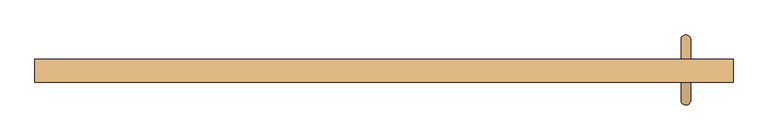
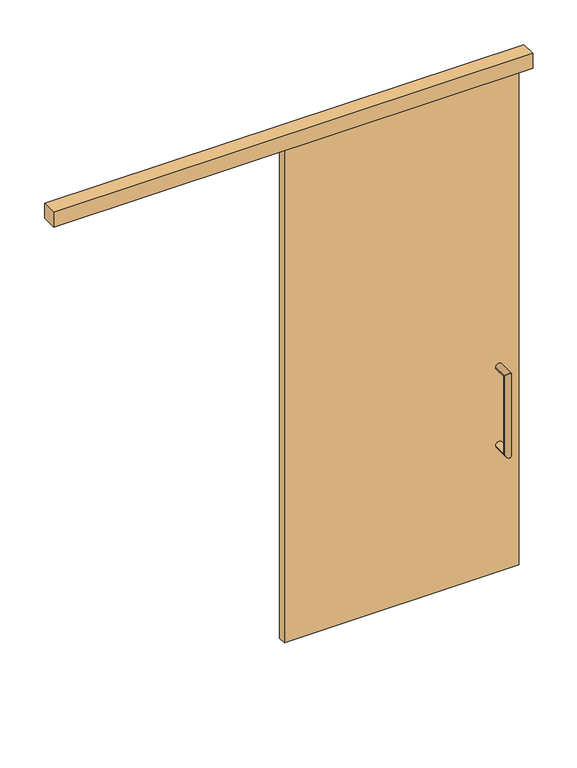
"""IFC4 building model written with IfcOpenShell, lengths in millimetres: door geometry."""

from ifc_helpers import new_model, si_unit, frame, origin, origin_with_axes, place, context, project, spatial, polyline, circle_curve, ellipse_curve, outline, extrude, faceted_brep, source, transform, mapped, element, save
from ifc_brep_helpers import plane_surface, cylinder_surface, advanced_brep


def door_fe5d9c2b(model_context):
    return source(origin(), model_context, "Body", "SolidModel", [
        advanced_brep(
        [(440.0, -115.0, 985.0), (410.0, -115.0, 985.0), (440.0, -115.0, 615.0), (410.0, -115.0, 615.0), (440.0, -180.0, 985.0), (410.0, -180.0, 985.0), (440.0, -180.0, 615.0), (410.0, -180.0, 615.0)],
        [
            (0, 1, circle_curve(frame((425.0, -115.0, 985.0), z_axis=(0.0, 1.0, 0.0), x_axis=(-1.0, 0.0, 0.0)), 15.0)),
            (1, 0, circle_curve(frame((425.0, -115.0, 985.0), z_axis=(0.0, 1.0, 0.0), x_axis=(-1.0, 0.0, 0.0)), 15.0)),
            (2, 3, circle_curve(frame((425.0, -115.0, 615.0), z_axis=(0.0, 1.0, 0.0), x_axis=(-1.0, 0.0, 0.0)), 15.0)),
            (3, 2, circle_curve(frame((425.0, -115.0, 615.0), z_axis=(0.0, 1.0, 0.0), x_axis=(-1.0, 0.0, 0.0)), 15.0)),
            (0, 4),
            (4, 5, ellipse_curve(frame((425.0, -180.0, 985.0), z_axis=(0.0, 0.7071067811865492, 0.7071067811865458), x_axis=(0.0, 0.7071067811865459, -0.7071067811865491)), 21.2132034, 15.0)),
            (5, 1),
            (5, 4, ellipse_curve(frame((425.0, -180.0, 985.0), z_axis=(0.0, 0.7071067811865492, 0.7071067811865458), x_axis=(0.0, 0.7071067811865459, -0.7071067811865491)), 21.2132034, 15.0)),
            (4, 6),
            (6, 7, ellipse_curve(frame((425.0, -180.0, 615.0), z_axis=(0.0, -0.7071067811865458, 0.7071067811865491), x_axis=(0.0, 0.7071067811865489, 0.707106781186546)), 21.2132034, 15.0)),
            (7, 5),
            (7, 6, ellipse_curve(frame((425.0, -180.0, 615.0), z_axis=(0.0, -0.7071067811865458, 0.7071067811865491), x_axis=(0.0, 0.7071067811865489, 0.707106781186546)), 21.2132034, 15.0)),
            (6, 2),
            (3, 7),
        ],
        [
            plane_surface(frame((425.0, -115.0, 1000.0), z_axis=(0.0, 1.0, 0.0), x_axis=(-1.0, 0.0, 0.0))),
            plane_surface(frame((425.0, -115.0, 600.0), z_axis=(0.0, 1.0, 0.0), x_axis=(-1.0, 0.0, 0.0))),
            cylinder_surface(frame((425.0, -115.0, 985.0), z_axis=(0.0, 1.0, 0.0), x_axis=(-1.0, 0.0, 0.0)), 15.0),
            cylinder_surface(frame((425.0, -180.0, 1000.0), z_axis=(0.0, 0.0, 1.0), x_axis=(-1.0, 0.0, 0.0)), 15.0),
            cylinder_surface(frame((425.0, -195.0, 615.0), z_axis=(0.0, -1.0, 0.0), x_axis=(-1.0, 0.0, 0.0)), 15.0),
        ],
        [
            (0, [[1, 2]]),
            (1, [[3, 4]]),
            (2, [[-1, 5, 6, 7]]),
            (2, [[-2, -7, 8, -5]]),
            (3, [[-6, 9, 10, 11]]),
            (3, [[-8, -11, 12, -9]]),
            (4, [[-10, 13, -4, 14]]),
            (4, [[-12, -14, -3, -13]]),
        ],
    ),
        advanced_brep(
        [(440.0, -60.0, 985.0), (410.0, -60.0, 985.0), (440.0, -60.0, 615.0), (410.0, -60.0, 615.0), (410.0, 5.0, 985.0), (440.0, 5.0, 985.0), (410.0, 5.0, 615.0), (440.0, 5.0, 615.0)],
        [
            (0, 1, circle_curve(frame((425.0, -60.0, 985.0), z_axis=(0.0, -1.0, 0.0), x_axis=(-1.0, 0.0, 0.0)), 15.0)),
            (1, 0, circle_curve(frame((425.0, -60.0, 985.0), z_axis=(0.0, -1.0, 0.0), x_axis=(-1.0, 0.0, 0.0)), 15.0)),
            (2, 3, circle_curve(frame((425.0, -60.0, 615.0), z_axis=(0.0, -1.0, 0.0), x_axis=(-1.0, 0.0, 0.0)), 15.0)),
            (3, 2, circle_curve(frame((425.0, -60.0, 615.0), z_axis=(0.0, -1.0, 0.0), x_axis=(-1.0, 0.0, 0.0)), 15.0)),
            (1, 4),
            (4, 5, ellipse_curve(frame((425.0, 5.0, 985.0), z_axis=(0.0, -0.7071067811865492, 0.7071067811865458), x_axis=(0.0, -0.7071067811865459, -0.7071067811865491)), 21.2132034, 15.0)),
            (5, 0),
            (5, 4, ellipse_curve(frame((425.0, 5.0, 985.0), z_axis=(0.0, -0.7071067811865492, 0.7071067811865458), x_axis=(0.0, -0.7071067811865459, -0.7071067811865491)), 21.2132034, 15.0)),
            (4, 6),
            (6, 7, ellipse_curve(frame((425.0, 5.0, 615.0), z_axis=(0.0, 0.7071067811865458, 0.7071067811865491), x_axis=(0.0, -0.7071067811865489, 0.707106781186546)), 21.2132034, 15.0)),
            (7, 5),
            (7, 6, ellipse_curve(frame((425.0, 5.0, 615.0), z_axis=(0.0, 0.7071067811865458, 0.7071067811865491), x_axis=(0.0, -0.7071067811865489, 0.707106781186546)), 21.2132034, 15.0)),
            (6, 3),
            (2, 7),
        ],
        [
            plane_surface(frame((425.0, -60.0, 1000.0), z_axis=(0.0, -1.0, 0.0), x_axis=(-1.0, 0.0, 0.0))),
            plane_surface(frame((425.0, -60.0, 600.0), z_axis=(0.0, -1.0, 0.0), x_axis=(-1.0, 0.0, 0.0))),
            cylinder_surface(frame((425.0, -60.0, 985.0), z_axis=(0.0, -1.0, 0.0), x_axis=(-1.0, 0.0, 0.0)), 15.0),
            cylinder_surface(frame((425.0, 5.0, 1000.0), z_axis=(0.0, 0.0, 1.0), x_axis=(-1.0, 0.0, 0.0)), 15.0),
            cylinder_surface(frame((425.0, 20.0, 615.0), z_axis=(0.0, 1.0, 0.0), x_axis=(-1.0, 0.0, 0.0)), 15.0),
        ],
        [
            (0, [[1, 2]]),
            (1, [[3, 4]]),
            (2, [[5, 6, 7, -2]]),
            (2, [[-7, 8, -5, -1]]),
            (3, [[9, 10, 11, -6]]),
            (3, [[-11, 12, -9, -8]]),
            (4, [[13, -3, 14, -10]]),
            (4, [[-14, -4, -13, -12]]),
        ],
    ),
        extrude(outline(polyline([(525.0, -95.0), (-525.0, -95.0), (-525.0, -60.0), (525.0, -60.0), (525.0, -95.0)])), origin_with_axes(), (0.0, 0.0, 1.0), 2400.0),
        faceted_brep([(-1565.0, -115.0, 2350.0), (560.0, -115.0, 2350.0), (560.0, -60.0, 2350.0), (570.0, -60.0, 2350.0), (570.0, -125.0, 2350.0), (-1575.0, -125.0, 2350.0), (-1575.0, -55.0, 2350.0), (-1565.0, -55.0, 2350.0), (-1565.0, -55.0, 2400.0), (-1565.0, -115.0, 2400.0), (-1575.0, -55.0, 2420.0), (570.0, -55.0, 2420.0), (570.0, -55.0, 2400.0), (-1575.0, -125.0, 2420.0), (570.0, -125.0, 2420.0), (570.0, -60.0, 2400.0), (560.0, -60.0, 2400.0), (560.0, -115.0, 2400.0)], [[[0, 1, 2, 3, 4, 5, 6, 7]], [[0, 7, 8, 9]], [[7, 6, 10, 11, 12, 8]], [[10, 6, 5, 13]], [[13, 5, 4, 14]], [[14, 4, 3, 15, 12, 11]], [[3, 2, 16, 15]], [[2, 1, 17, 16]], [[1, 0, 9, 17]], [[11, 10, 13, 14]], [[8, 12, 15, 16, 17, 9]]]),
    ])


if __name__ == "__main__":
    model = new_model("IFC4")
    model_context = context("Model", 3, world=origin())
    ifc_project = project(units=[si_unit("LENGTHUNIT", "METRE", prefix="MILLI")], contexts=[model_context])
    site = spatial("IfcSite", under=ifc_project)
    building = spatial("IfcBuilding", under=site)
    placement = place(None, origin())
    door_shape = door_fe5d9c2b(model_context)
    element("IfcDoor", 1, at=placement, inside=building, context=model_context, shape_type="MappedRepresentation", body=[
        mapped(door_shape, transform((0.0, 0.0, 0.0), x_axis=(1.0, 0.0, 0.0), y_axis=(0.0, 1.0, 0.0), z_axis=(0.0, 0.0, 1.0))),
    ])
    save(model, "model.ifc")
